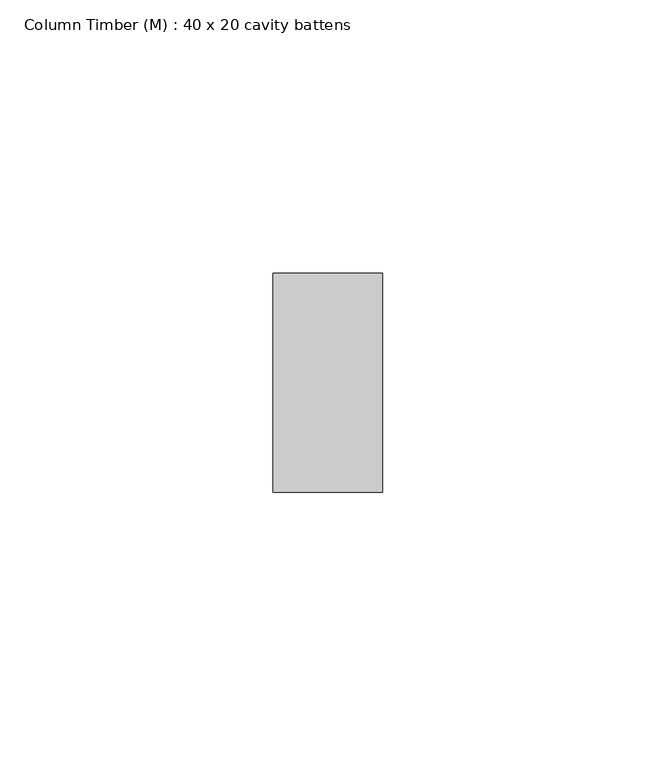
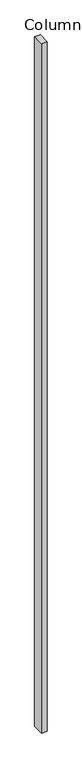
"""IFC4 building model written with IfcOpenShell, lengths in millimetres: column geometry, Column Timber (M) : 40 x 20 cavity battens."""

import ifcopenshell
import ifcopenshell.guid

model = None  # the IFC model being written
_history = None  # IfcOwnerHistory: only IFC2X3 demands one
_inside = {}  # id of a spatial element -> (the spatial element, [elements in it])
_under = {}  # id of a project, library or spatial element -> (it, [spatial elements below it])
_declared = {}  # id of a project -> (the project, [libraries it declares])
_typed = {}  # id of a type object -> (the type object, [elements of that type])
_made_of = {}  # id of a material, layer set ... -> (it, [elements and type objects made of it])


def new_model(schema):
    """Start an empty IFC model of exactly this schema.

    Asked for "IFC4X3", IfcOpenShell would pick the latest addendum, in which some entities
    have other attributes; the version numbers below select the first issue.
    IFC2X3 requires an IfcOwnerHistory on every rooted entity: one is made here for all.
    """
    global model, _history
    if schema == "IFC4X3":
        model = ifcopenshell.file(schema_version=(4, 3, 0, 0))
    else:
        model = ifcopenshell.file(schema=schema)
    _inside.clear()
    _under.clear()
    _declared.clear()
    _typed.clear()
    _made_of.clear()
    _history = None
    if model.schema == "IFC2X3":
        org = make("IfcOrganization", Name="unknown")
        user = make(
            "IfcPersonAndOrganization",
            ThePerson=make("IfcPerson", FamilyName="unknown"),
            TheOrganization=org,
        )
        app = make(
            "IfcApplication",
            ApplicationDeveloper=org,
            Version="unknown",
            ApplicationFullName="unknown",
            ApplicationIdentifier="unknown",
        )
        _history = make(
            "IfcOwnerHistory",
            OwningUser=user,
            OwningApplication=app,
            ChangeAction="ADDED",
            CreationDate=0,
        )
    return model


def make(cls, **values):
    """One entity of the class cls with the attributes given. An attribute that is None is left unset."""
    return model.create_entity(
        cls, **{name: value for name, value in values.items() if value is not None}
    )


def rooted(cls, **values):
    """An entity with a GlobalId (a new one), such as an element, a storey or a relation."""
    return make(cls, GlobalId=ifcopenshell.guid.new(), OwnerHistory=_history, **values)


def si_unit(unit_type, name, prefix=None):
    """IfcSIUnit, for example si_unit("LENGTHUNIT", "METRE", prefix="MILLI")."""
    return make("IfcSIUnit", UnitType=unit_type, Prefix=prefix, Name=name)


def assignment(units):
    """IfcUnitAssignment: the units of a project."""
    return None if units is None else make("IfcUnitAssignment", Units=units)


def point(xyz):
    """IfcCartesianPoint."""
    return None if xyz is None else make("IfcCartesianPoint", Coordinates=xyz)


def direction(xyz):
    """IfcDirection."""
    return None if xyz is None else make("IfcDirection", DirectionRatios=xyz)


def frame(location, z_axis=None, x_axis=None):
    """IfcAxis2Placement3D, a coordinate frame: its origin and axes. An axis left out is left unset."""
    return make(
        "IfcAxis2Placement3D",
        Location=point(location),
        Axis=direction(z_axis),
        RefDirection=direction(x_axis),
    )


def origin():
    """The frame at (0, 0, 0) with its axes left unset."""
    return frame((0.0, 0.0, 0.0))


def place(relative_to, where):
    """IfcLocalPlacement: puts the frame where relative to a parent placement (None: the world)."""
    return make(
        "IfcLocalPlacement", PlacementRelTo=relative_to, RelativePlacement=where
    )


def context(
    kind, dimensions, precision=None, world=None, true_north=None, identifier=None
):
    """IfcGeometricRepresentationContext, for example the 3D "Model" context."""
    return make(
        "IfcGeometricRepresentationContext",
        ContextIdentifier=identifier,
        ContextType=kind,
        CoordinateSpaceDimension=dimensions,
        Precision=precision,
        WorldCoordinateSystem=world,
        TrueNorth=true_north,
    )


def project(units=None, contexts=None):
    """IfcProject with its units and contexts."""
    return rooted(
        "IfcProject",
        Name="project",
        RepresentationContexts=contexts,
        UnitsInContext=assignment(units),
    )


def spatial(cls, under=None, at=None, **own):
    """A site, building, storey or space (cls), placed at a placement, below another one or the project."""
    s = rooted(cls, ObjectPlacement=at, **own)
    if under is not None:
        _under.setdefault(under.id(), (under, []))[1].append(s)
    return s


def polyline(points):
    """IfcPolyline through the points."""
    return make("IfcPolyline", Points=[point(p) for p in points])


def outline(outer, holes=None, kind="AREA"):
    """IfcArbitraryClosedProfileDef: a profile drawn as a closed curve; with holes, ...WithVoids."""
    if holes is None:
        return make("IfcArbitraryClosedProfileDef", ProfileType=kind, OuterCurve=outer)
    return make(
        "IfcArbitraryProfileDefWithVoids",
        ProfileType=kind,
        OuterCurve=outer,
        InnerCurves=holes,
    )


def extrude(swept, where, along, depth):
    """IfcExtrudedAreaSolid: the profile swept, set in the frame where, extruded along a direction by depth."""
    return make(
        "IfcExtrudedAreaSolid",
        SweptArea=swept,
        Position=where,
        ExtrudedDirection=direction(along),
        Depth=depth,
    )


def shape(context_of_items, identifier, shape_type, items):
    """IfcShapeRepresentation: the items that make up one representation, for example the "Body"."""
    return make(
        "IfcShapeRepresentation",
        ContextOfItems=context_of_items,
        RepresentationIdentifier=identifier,
        RepresentationType=shape_type,
        Items=items,
    )


def source(mapping_origin, context_of_items, identifier, shape_type, items):
    """IfcRepresentationMap: a shape defined once, which mapped items show again and again."""
    return make(
        "IfcRepresentationMap",
        MappingOrigin=mapping_origin,
        MappedRepresentation=shape(context_of_items, identifier, shape_type, items),
    )


def transform(
    local_origin,
    x_axis=None,
    y_axis=None,
    z_axis=None,
    scale=None,
    scale2=None,
    scale3=None,
    uniform=True,
):
    """IfcCartesianTransformationOperator3D, or its non-uniform kind. x_axis, y_axis, z_axis: its Axis1, 2, 3."""
    if uniform:
        return make(
            "IfcCartesianTransformationOperator3D",
            Axis1=direction(x_axis),
            Axis2=direction(y_axis),
            LocalOrigin=point(local_origin),
            Scale=scale,
            Axis3=direction(z_axis),
        )
    return make(
        "IfcCartesianTransformationOperator3DnonUniform",
        Axis1=direction(x_axis),
        Axis2=direction(y_axis),
        LocalOrigin=point(local_origin),
        Scale=scale,
        Axis3=direction(z_axis),
        Scale2=scale2,
        Scale3=scale3,
    )


def mapped(mapping_source, mapping_target):
    """IfcMappedItem: shows the shape of a source again, moved by a transform."""
    return make(
        "IfcMappedItem", MappingSource=mapping_source, MappingTarget=mapping_target
    )


def made_of(thing, what):
    """Note that an element or type object is made of a material, layer set ...; save() writes the relation."""
    if what is not None:
        _made_of.setdefault(what.id(), (what, []))[1].append(thing)
    return thing


def element(
    cls,
    number,
    at=None,
    inside=None,
    cuts=None,
    type_object=None,
    material=None,
    context=None,
    identifier="Body",
    shape_type=None,
    held_by="IfcProductDefinitionShape",
    body=None,
    shapes=None,
    **own,
):
    """One element of the class cls, such as IfcWall. Its Tag is "e" and its number.

    at: its placement. inside: the storey or other place that contains it. cuts: it is an
    opening in that element (IfcRelVoidsElement). A single representation is given by context,
    identifier, shape_type and body (its items); several are given by shapes. held_by: the class
    of the entity that holds the representations. save() writes the other relations.
    """
    e = rooted(cls, Tag="e%d" % number, ObjectPlacement=at, **own)
    if body is not None:
        shapes = [shape(context, identifier, shape_type, body)]
    if shapes is not None:
        e.Representation = make(held_by, Representations=shapes)
    if inside is not None:
        _inside.setdefault(inside.id(), (inside, []))[1].append(e)
    if cuts is not None:
        rooted(
            "IfcRelVoidsElement", RelatingBuildingElement=cuts, RelatedOpeningElement=e
        )
    if type_object is not None:
        _typed.setdefault(type_object.id(), (type_object, []))[1].append(e)
    return made_of(e, material)


def aggregate(whole, parts):
    """IfcRelAggregates: a whole, such as a stair, and the parts it consists of."""
    return rooted("IfcRelAggregates", RelatingObject=whole, RelatedObjects=parts)


def save(model, path):
    """Write the relations noted so far, then the file.

    IfcRelAggregates (storeys below a building ...), IfcRelContainedInSpatialStructure (elements
    in a storey), IfcRelDefinesByType, IfcRelAssociatesMaterial and IfcRelDeclares: one each for
    every whole, place, type object, material and project.
    """
    for whole, parts in _under.values():
        aggregate(whole, parts)
    for where, things in _inside.values():
        rooted(
            "IfcRelContainedInSpatialStructure",
            RelatedElements=things,
            RelatingStructure=where,
        )
    for kind, things in _typed.values():
        rooted("IfcRelDefinesByType", RelatedObjects=things, RelatingType=kind)
    for what, things in _made_of.values():
        rooted("IfcRelAssociatesMaterial", RelatedObjects=things, RelatingMaterial=what)
    for by, libraries in _declared.values():
        rooted("IfcRelDeclares", RelatingContext=by, RelatedDefinitions=libraries)
    model.write(path)


def column_timber_m_40_x_20_cavity_battens_8a4cbd49(model_context):
    return source(origin(), model_context, "Body", "SweptSolid", [
        extrude(outline(polyline([(10.0, 20.0), (10.0, -20.0), (-10.0, -20.0), (-10.0, 20.0), (10.0, 20.0)])), frame((0.0, 0.0, -2500.0), z_axis=(0.0, 0.0, 1.0), x_axis=(1.0, 0.0, 0.0)), (0.0, 0.0, 1.0), 2500.0),
    ])


if __name__ == "__main__":
    model = new_model("IFC4")
    model_context = context("Model", 3, world=origin())
    ifc_project = project(units=[si_unit("LENGTHUNIT", "METRE", prefix="MILLI")], contexts=[model_context])
    site = spatial("IfcSite", under=ifc_project)
    building = spatial("IfcBuilding", under=site)
    placement = place(None, origin())
    column_timber_m_40_x_20_cavity_battens_shape = column_timber_m_40_x_20_cavity_battens_8a4cbd49(model_context)
    element("IfcColumn", 1, ObjectType="Column Timber (M) : 40 x 20 cavity battens", at=placement, inside=building, context=model_context, shape_type="MappedRepresentation", body=[
        mapped(column_timber_m_40_x_20_cavity_battens_shape, transform((0.0, 0.0, 0.0), x_axis=(1.0, 0.0, 0.0), y_axis=(0.0, 1.0, 0.0), z_axis=(0.0, 0.0, 1.0))),
    ])
    save(model, "model.ifc")
